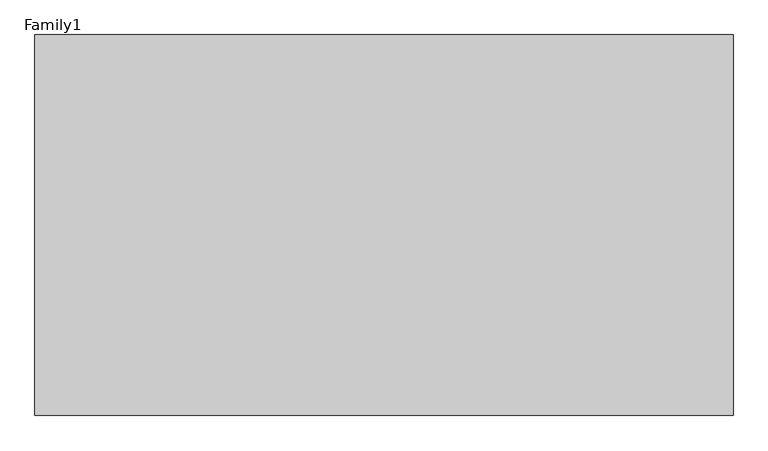
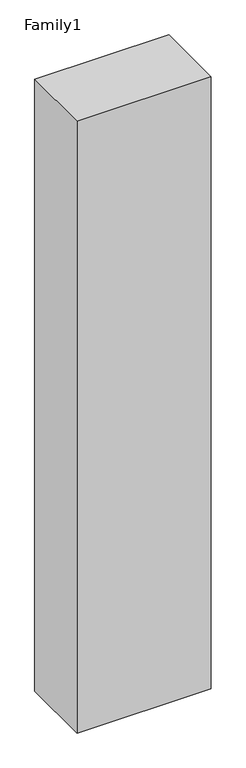
"""IFC4 building model written with IfcOpenShell, lengths in millimetres: proxy geometry, Family1."""

from ifc_helpers import new_model, si_unit, origin, origin_with_axes, place, context, project, spatial, polyline, outline, extrude, source, transform, mapped, element, save


def family1_2dd5feae(model_context):
    return source(origin(), model_context, "Body", "SweptSolid", [
        extrude(outline(polyline([(5500.0, 0.0), (0.0, 0.0), (0.0, 3000.0), (5500.0, 3000.0), (5500.0, 0.0)])), origin_with_axes(), (0.0, 0.0, 1.0), 26500.0),
    ])


if __name__ == "__main__":
    model = new_model("IFC4")
    model_context = context("Model", 3, world=origin())
    ifc_project = project(units=[si_unit("LENGTHUNIT", "METRE", prefix="MILLI")], contexts=[model_context])
    site = spatial("IfcSite", under=ifc_project)
    building = spatial("IfcBuilding", under=site)
    placement = place(None, origin())
    family1_shape = family1_2dd5feae(model_context)
    element("IfcBuildingElementProxy", 1, Name="Family1", ObjectType="Family1", at=placement, inside=building, context=model_context, shape_type="MappedRepresentation", body=[
        mapped(family1_shape, transform((0.0, 0.0, 0.0), x_axis=(1.0, 0.0, 0.0), y_axis=(0.0, 1.0, 0.0), z_axis=(0.0, 0.0, 1.0))),
    ])
    save(model, "model.ifc")
